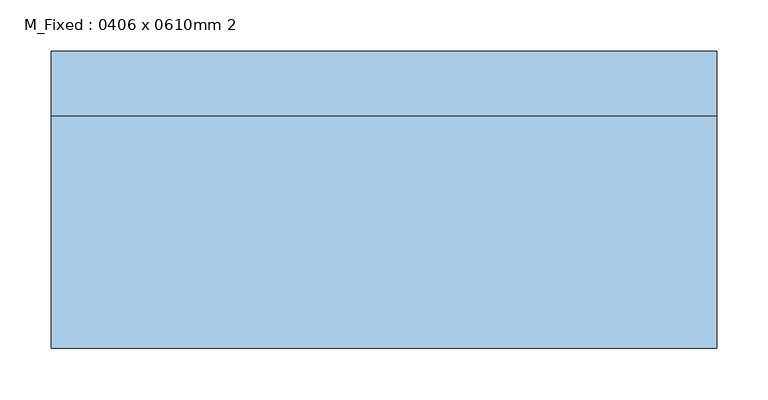
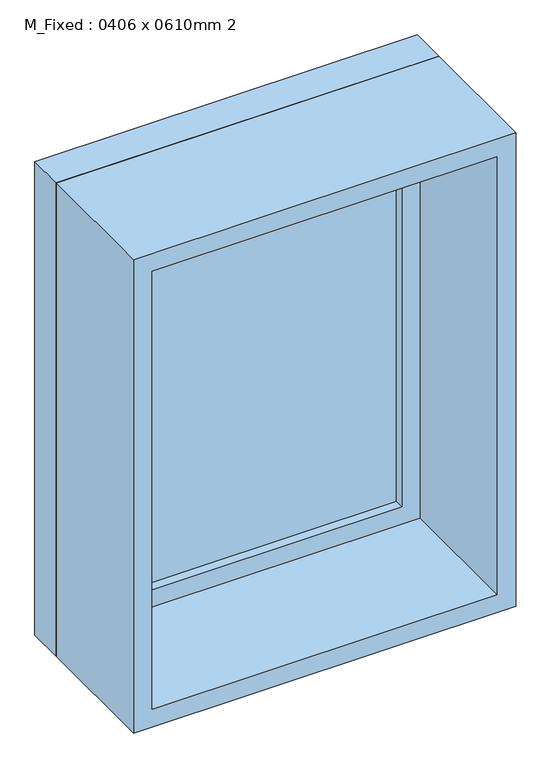
"""IFC4 building model written with IfcOpenShell, lengths in millimetres: window geometry, M_Fixed : 0406 x 0610mm 2."""

from ifc_helpers import new_model, si_unit, frame, origin, place, context, project, spatial, polyline, outline, extrude, source, transform, mapped, element, save


def m_fixed_0406_x_0610mm_2_d8031020(model_context):
    return source(origin(), model_context, "Body", "SweptSolid", [
        extrude(outline(polyline([(-262.0, 123.0), (262.0, 123.0), (262.0, 111.0), (-262.0, 111.0), (-262.0, 123.0)])), frame((0.0, 0.0, 978.0), z_axis=(0.0, 0.0, 1.0), x_axis=(1.0, 0.0, 0.0)), (0.0, 0.0, 1.0), 724.0),
        extrude(outline(polyline([(1746.0, -306.0), (934.0, -306.0), (934.0, 306.0), (1746.0, 306.0), (1746.0, -306.0)]), holes=[polyline([(1702.0, -262.0), (1702.0, 262.0), (978.0, 262.0), (978.0, -262.0), (1702.0, -262.0)])]), frame((0.0, 95.0, 0.0), z_axis=(0.0, 1.0, 0.0), x_axis=(0.0, 0.0, 1.0)), (0.0, 0.0, 1.0), 44.0),
        extrude(outline(polyline([(1765.0, -325.0), (915.0, -325.0), (915.0, 325.0), (1765.0, 325.0), (1765.0, -325.0)]), holes=[polyline([(1746.0, -306.0), (1746.0, 306.0), (934.0, 306.0), (934.0, -306.0), (1746.0, -306.0)])]), frame((0.0, 95.0, 0.0), z_axis=(0.0, 1.0, 0.0), x_axis=(0.0, 0.0, 1.0)), (0.0, 0.0, 1.0), 63.0),
        extrude(outline(polyline([(1765.0, -325.0), (915.0, -325.0), (915.0, 325.0), (1765.0, 325.0), (1765.0, -325.0)]), holes=[polyline([(1733.0, -293.0), (1733.0, 293.0), (947.0, 293.0), (947.0, -293.0), (1733.0, -293.0)])]), frame((0.0, -132.0, 0.0), z_axis=(0.0, 1.0, 0.0), x_axis=(0.0, 0.0, 1.0)), (0.0, 0.0, 1.0), 227.0),
    ])


if __name__ == "__main__":
    model = new_model("IFC4")
    model_context = context("Model", 3, world=origin())
    ifc_project = project(units=[si_unit("LENGTHUNIT", "METRE", prefix="MILLI")], contexts=[model_context])
    site = spatial("IfcSite", under=ifc_project)
    building = spatial("IfcBuilding", under=site)
    placement = place(None, origin())
    m_fixed_0406_x_0610mm_2_shape = m_fixed_0406_x_0610mm_2_d8031020(model_context)
    element("IfcWindow", 1, ObjectType="M_Fixed : 0406 x 0610mm 2", at=placement, inside=building, context=model_context, shape_type="MappedRepresentation", body=[
        mapped(m_fixed_0406_x_0610mm_2_shape, transform((0.0, 0.0, 0.0), x_axis=(1.0, 0.0, 0.0), y_axis=(0.0, 1.0, 0.0), z_axis=(0.0, 0.0, 1.0))),
    ])
    save(model, "model.ifc")
